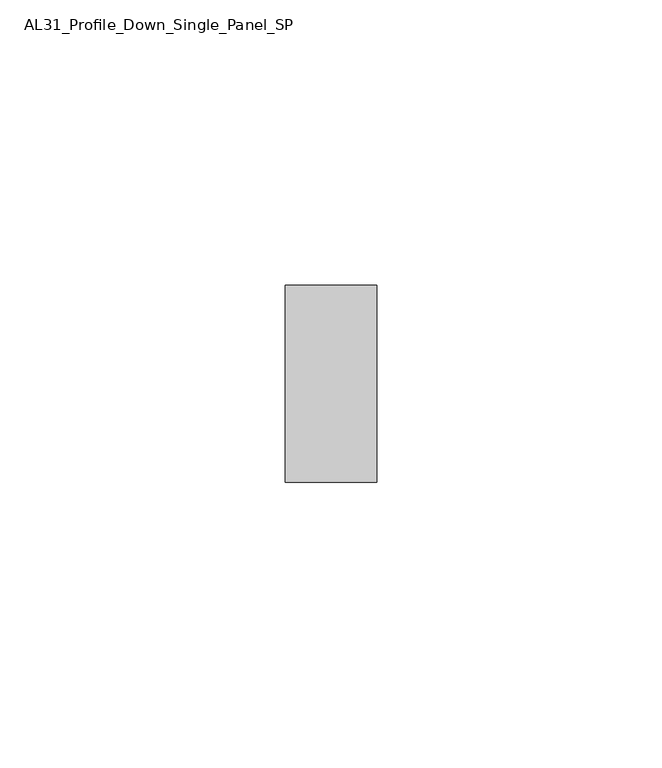
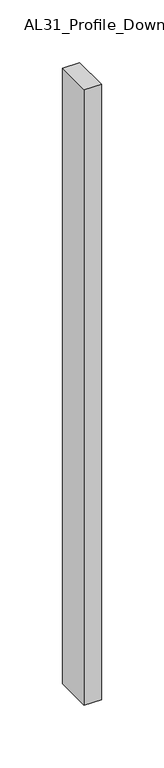
"""IFC4 building model written with IfcOpenShell, lengths in millimetres: member geometry, AL31_Profile_Down_Single_Panel_SP."""

from ifc_helpers import new_model, si_unit, frame, origin, place, context, project, spatial, polyline, outline, extrude, source, transform, mapped, element, save


def al31_profile_down_single_panel_sp_8c93e21f(model_context):
    return source(origin(), model_context, "Body", "SweptSolid", [
        extrude(outline(polyline([(0.0, -17.25), (-16.0, -17.25), (-16.0, 17.25), (0.0, 17.25), (0.0, -17.25)])), frame((0.0, 0.0, -600.0), z_axis=(0.0, 0.0, 1.0), x_axis=(1.0, 0.0, 0.0)), (0.0, 0.0, 1.0), 600.0),
    ])


if __name__ == "__main__":
    model = new_model("IFC4")
    model_context = context("Model", 3, world=origin())
    ifc_project = project(units=[si_unit("LENGTHUNIT", "METRE", prefix="MILLI")], contexts=[model_context])
    site = spatial("IfcSite", under=ifc_project)
    building = spatial("IfcBuilding", under=site)
    placement = place(None, origin())
    al31_profile_down_single_panel_sp_shape = al31_profile_down_single_panel_sp_8c93e21f(model_context)
    element("IfcMember", 1, ObjectType="AL31_Profile_Down_Single_Panel_SP", at=placement, inside=building, context=model_context, shape_type="MappedRepresentation", body=[
        mapped(al31_profile_down_single_panel_sp_shape, transform((0.0, 0.0, 0.0), x_axis=(1.0, 0.0, 0.0), y_axis=(0.0, 1.0, 0.0), z_axis=(0.0, 0.0, 1.0))),
    ])
    save(model, "model.ifc")
